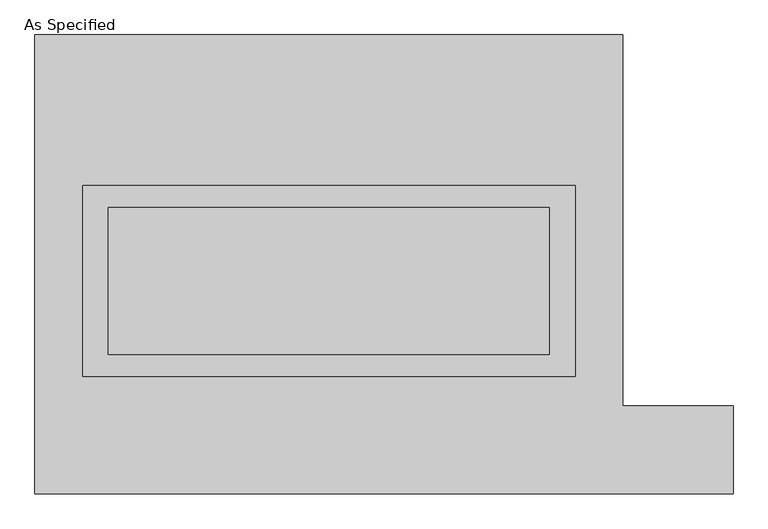
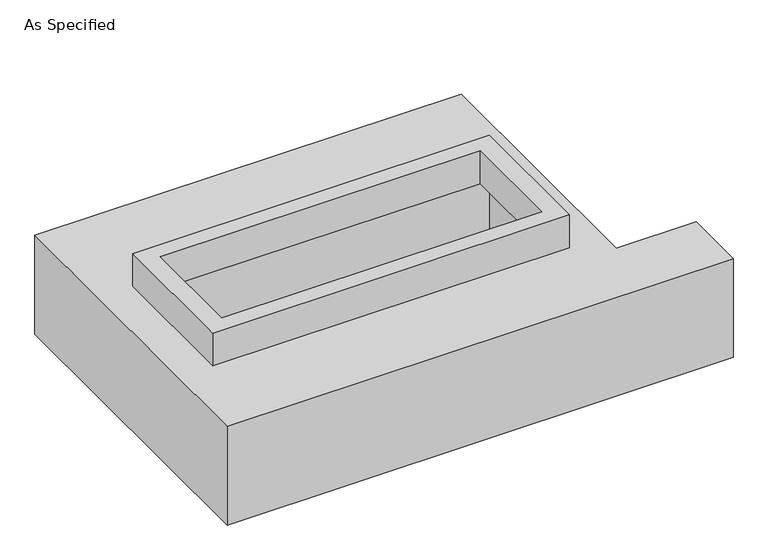
"""IFC4 building model written with IfcOpenShell, lengths in millimetres: proxy geometry, As Specified."""

import ifcopenshell
import ifcopenshell.guid

model = None  # the IFC model being written
_history = None  # IfcOwnerHistory: only IFC2X3 demands one
_inside = {}  # id of a spatial element -> (the spatial element, [elements in it])
_under = {}  # id of a project, library or spatial element -> (it, [spatial elements below it])
_declared = {}  # id of a project -> (the project, [libraries it declares])
_typed = {}  # id of a type object -> (the type object, [elements of that type])
_made_of = {}  # id of a material, layer set ... -> (it, [elements and type objects made of it])


def new_model(schema):
    """Start an empty IFC model of exactly this schema.

    Asked for "IFC4X3", IfcOpenShell would pick the latest addendum, in which some entities
    have other attributes; the version numbers below select the first issue.
    IFC2X3 requires an IfcOwnerHistory on every rooted entity: one is made here for all.
    """
    global model, _history
    if schema == "IFC4X3":
        model = ifcopenshell.file(schema_version=(4, 3, 0, 0))
    else:
        model = ifcopenshell.file(schema=schema)
    _inside.clear()
    _under.clear()
    _declared.clear()
    _typed.clear()
    _made_of.clear()
    _history = None
    if model.schema == "IFC2X3":
        org = make("IfcOrganization", Name="unknown")
        user = make(
            "IfcPersonAndOrganization",
            ThePerson=make("IfcPerson", FamilyName="unknown"),
            TheOrganization=org,
        )
        app = make(
            "IfcApplication",
            ApplicationDeveloper=org,
            Version="unknown",
            ApplicationFullName="unknown",
            ApplicationIdentifier="unknown",
        )
        _history = make(
            "IfcOwnerHistory",
            OwningUser=user,
            OwningApplication=app,
            ChangeAction="ADDED",
            CreationDate=0,
        )
    return model


def make(cls, **values):
    """One entity of the class cls with the attributes given. An attribute that is None is left unset."""
    return model.create_entity(
        cls, **{name: value for name, value in values.items() if value is not None}
    )


def rooted(cls, **values):
    """An entity with a GlobalId (a new one), such as an element, a storey or a relation."""
    return make(cls, GlobalId=ifcopenshell.guid.new(), OwnerHistory=_history, **values)


def si_unit(unit_type, name, prefix=None):
    """IfcSIUnit, for example si_unit("LENGTHUNIT", "METRE", prefix="MILLI")."""
    return make("IfcSIUnit", UnitType=unit_type, Prefix=prefix, Name=name)


def assignment(units):
    """IfcUnitAssignment: the units of a project."""
    return None if units is None else make("IfcUnitAssignment", Units=units)


def point(xyz):
    """IfcCartesianPoint."""
    return None if xyz is None else make("IfcCartesianPoint", Coordinates=xyz)


def direction(xyz):
    """IfcDirection."""
    return None if xyz is None else make("IfcDirection", DirectionRatios=xyz)


def frame(location, z_axis=None, x_axis=None):
    """IfcAxis2Placement3D, a coordinate frame: its origin and axes. An axis left out is left unset."""
    return make(
        "IfcAxis2Placement3D",
        Location=point(location),
        Axis=direction(z_axis),
        RefDirection=direction(x_axis),
    )


def origin():
    """The frame at (0, 0, 0) with its axes left unset."""
    return frame((0.0, 0.0, 0.0))


def place(relative_to, where):
    """IfcLocalPlacement: puts the frame where relative to a parent placement (None: the world)."""
    return make(
        "IfcLocalPlacement", PlacementRelTo=relative_to, RelativePlacement=where
    )


def context(
    kind, dimensions, precision=None, world=None, true_north=None, identifier=None
):
    """IfcGeometricRepresentationContext, for example the 3D "Model" context."""
    return make(
        "IfcGeometricRepresentationContext",
        ContextIdentifier=identifier,
        ContextType=kind,
        CoordinateSpaceDimension=dimensions,
        Precision=precision,
        WorldCoordinateSystem=world,
        TrueNorth=true_north,
    )


def project(units=None, contexts=None):
    """IfcProject with its units and contexts."""
    return rooted(
        "IfcProject",
        Name="project",
        RepresentationContexts=contexts,
        UnitsInContext=assignment(units),
    )


def spatial(cls, under=None, at=None, **own):
    """A site, building, storey or space (cls), placed at a placement, below another one or the project."""
    s = rooted(cls, ObjectPlacement=at, **own)
    if under is not None:
        _under.setdefault(under.id(), (under, []))[1].append(s)
    return s


def polyline(points):
    """IfcPolyline through the points."""
    return make("IfcPolyline", Points=[point(p) for p in points])


def outline(outer, holes=None, kind="AREA"):
    """IfcArbitraryClosedProfileDef: a profile drawn as a closed curve; with holes, ...WithVoids."""
    if holes is None:
        return make("IfcArbitraryClosedProfileDef", ProfileType=kind, OuterCurve=outer)
    return make(
        "IfcArbitraryProfileDefWithVoids",
        ProfileType=kind,
        OuterCurve=outer,
        InnerCurves=holes,
    )


def extrude(swept, where, along, depth):
    """IfcExtrudedAreaSolid: the profile swept, set in the frame where, extruded along a direction by depth."""
    return make(
        "IfcExtrudedAreaSolid",
        SweptArea=swept,
        Position=where,
        ExtrudedDirection=direction(along),
        Depth=depth,
    )


def faces_of(points, faces, orient=None, outer=None):
    """IfcFace entities. A face is a list of loops; a loop is a list of indices into points, from 0.

    orient and outer hold one flag for each loop. By default every Orientation is true, the
    first loop of a face is its IfcFaceOuterBound and the others are IfcFaceBound.
    """
    made = []
    for i, loops in enumerate(faces):
        bounds = []
        for j, loop in enumerate(loops):
            is_outer = j == 0 if outer is None else outer[i][j]
            bounds.append(
                make(
                    "IfcFaceOuterBound" if is_outer else "IfcFaceBound",
                    Bound=make("IfcPolyLoop", Polygon=[points[k] for k in loop]),
                    Orientation=True if orient is None else orient[i][j],
                )
            )
        made.append(make("IfcFace", Bounds=bounds))
    return made


def faceted_brep(points, faces, orient=None, outer=None, voids=None):
    """IfcFacetedBrep: a solid bounded by flat faces; with voids (closed shells), ...WithVoids."""
    shared = [point(p) for p in points]
    hull = make("IfcClosedShell", CfsFaces=faces_of(shared, faces, orient, outer))
    if voids is None:
        return make("IfcFacetedBrep", Outer=hull)
    return make(
        "IfcFacetedBrepWithVoids",
        Outer=hull,
        Voids=[
            make(cls, CfsFaces=faces_of(shared, fs, o, b)) for cls, fs, o, b in voids
        ],
    )


def shape(context_of_items, identifier, shape_type, items):
    """IfcShapeRepresentation: the items that make up one representation, for example the "Body"."""
    return make(
        "IfcShapeRepresentation",
        ContextOfItems=context_of_items,
        RepresentationIdentifier=identifier,
        RepresentationType=shape_type,
        Items=items,
    )


def source(mapping_origin, context_of_items, identifier, shape_type, items):
    """IfcRepresentationMap: a shape defined once, which mapped items show again and again."""
    return make(
        "IfcRepresentationMap",
        MappingOrigin=mapping_origin,
        MappedRepresentation=shape(context_of_items, identifier, shape_type, items),
    )


def transform(
    local_origin,
    x_axis=None,
    y_axis=None,
    z_axis=None,
    scale=None,
    scale2=None,
    scale3=None,
    uniform=True,
):
    """IfcCartesianTransformationOperator3D, or its non-uniform kind. x_axis, y_axis, z_axis: its Axis1, 2, 3."""
    if uniform:
        return make(
            "IfcCartesianTransformationOperator3D",
            Axis1=direction(x_axis),
            Axis2=direction(y_axis),
            LocalOrigin=point(local_origin),
            Scale=scale,
            Axis3=direction(z_axis),
        )
    return make(
        "IfcCartesianTransformationOperator3DnonUniform",
        Axis1=direction(x_axis),
        Axis2=direction(y_axis),
        LocalOrigin=point(local_origin),
        Scale=scale,
        Axis3=direction(z_axis),
        Scale2=scale2,
        Scale3=scale3,
    )


def mapped(mapping_source, mapping_target):
    """IfcMappedItem: shows the shape of a source again, moved by a transform."""
    return make(
        "IfcMappedItem", MappingSource=mapping_source, MappingTarget=mapping_target
    )


def made_of(thing, what):
    """Note that an element or type object is made of a material, layer set ...; save() writes the relation."""
    if what is not None:
        _made_of.setdefault(what.id(), (what, []))[1].append(thing)
    return thing


def element(
    cls,
    number,
    at=None,
    inside=None,
    cuts=None,
    type_object=None,
    material=None,
    context=None,
    identifier="Body",
    shape_type=None,
    held_by="IfcProductDefinitionShape",
    body=None,
    shapes=None,
    **own,
):
    """One element of the class cls, such as IfcWall. Its Tag is "e" and its number.

    at: its placement. inside: the storey or other place that contains it. cuts: it is an
    opening in that element (IfcRelVoidsElement). A single representation is given by context,
    identifier, shape_type and body (its items); several are given by shapes. held_by: the class
    of the entity that holds the representations. save() writes the other relations.
    """
    e = rooted(cls, Tag="e%d" % number, ObjectPlacement=at, **own)
    if body is not None:
        shapes = [shape(context, identifier, shape_type, body)]
    if shapes is not None:
        e.Representation = make(held_by, Representations=shapes)
    if inside is not None:
        _inside.setdefault(inside.id(), (inside, []))[1].append(e)
    if cuts is not None:
        rooted(
            "IfcRelVoidsElement", RelatingBuildingElement=cuts, RelatedOpeningElement=e
        )
    if type_object is not None:
        _typed.setdefault(type_object.id(), (type_object, []))[1].append(e)
    return made_of(e, material)


def aggregate(whole, parts):
    """IfcRelAggregates: a whole, such as a stair, and the parts it consists of."""
    return rooted("IfcRelAggregates", RelatingObject=whole, RelatedObjects=parts)


def save(model, path):
    """Write the relations noted so far, then the file.

    IfcRelAggregates (storeys below a building ...), IfcRelContainedInSpatialStructure (elements
    in a storey), IfcRelDefinesByType, IfcRelAssociatesMaterial and IfcRelDeclares: one each for
    every whole, place, type object, material and project.
    """
    for whole, parts in _under.values():
        aggregate(whole, parts)
    for where, things in _inside.values():
        rooted(
            "IfcRelContainedInSpatialStructure",
            RelatedElements=things,
            RelatingStructure=where,
        )
    for kind, things in _typed.values():
        rooted("IfcRelDefinesByType", RelatedObjects=things, RelatingType=kind)
    for what, things in _made_of.values():
        rooted("IfcRelAssociatesMaterial", RelatedObjects=things, RelatingMaterial=what)
    for by, libraries in _declared.values():
        rooted("IfcRelDeclares", RelatingContext=by, RelatedDefinitions=libraries)
    model.write(path)


def as_specified_13ea6484(model_context):
    return source(origin(), model_context, "Body", "SolidModel", [
        extrude(outline(polyline([(850.9, 273.05), (850.9, -387.35), (-850.9, -387.35), (-850.9, 273.05), (850.9, 273.05)]), holes=[polyline([(762.0, 196.85), (-762.0, 196.85), (-762.0, -311.15), (762.0, -311.15), (762.0, 196.85)])]), frame((0.0, 0.0, -25.4), z_axis=(0.0, 0.0, 1.0), x_axis=(1.0, 0.0, 0.0)), (0.0, 0.0, 1.0), 165.1),
        faceted_brep([(-1016.0, 793.75, -523.875), (1016.0, 793.75, -523.875), (1016.0, -488.95, -523.875), (1397.0, -488.95, -523.875), (1397.0, -793.75, -523.875), (-1016.0, -793.75, -523.875), (1016.0, 793.75, -25.4), (-1016.0, 793.75, -25.4), (-1016.0, -793.75, -25.4), (1397.0, -793.75, -25.4), (1397.0, -488.95, -25.4), (1016.0, -488.95, -25.4), (-850.9, -387.35, -25.4), (-850.9, 273.05, -25.4), (850.9, 273.05, -25.4), (850.9, -387.35, -25.4), (850.9, 273.05, -498.475), (-850.9, 273.05, -498.475), (-850.9, -387.35, -498.475), (850.9, -387.35, -498.475)], [[[0, 1, 2, 3, 4, 5]], [[6, 7, 8, 9, 10, 11], [12, 13, 14, 15]], [[1, 0, 7, 6]], [[7, 0, 5, 8]], [[1, 6, 11, 2]], [[16, 17, 18, 19]], [[18, 17, 13, 12]], [[17, 16, 14, 13]], [[16, 19, 15, 14]], [[19, 18, 12, 15]], [[5, 4, 9, 8]], [[3, 2, 11, 10]], [[4, 3, 10, 9]]]),
    ])


if __name__ == "__main__":
    model = new_model("IFC4")
    model_context = context("Model", 3, world=origin())
    ifc_project = project(units=[si_unit("LENGTHUNIT", "METRE", prefix="MILLI")], contexts=[model_context])
    site = spatial("IfcSite", under=ifc_project)
    building = spatial("IfcBuilding", under=site)
    placement = place(None, origin())
    as_specified_shape = as_specified_13ea6484(model_context)
    element("IfcBuildingElementProxy", 1, Name="As Specified", ObjectType="As Specified", at=placement, inside=building, context=model_context, shape_type="MappedRepresentation", body=[
        mapped(as_specified_shape, transform((0.0, 0.0, 0.0), x_axis=(1.0, 0.0, 0.0), y_axis=(0.0, 1.0, 0.0), z_axis=(0.0, 0.0, 1.0))),
    ])
    save(model, "model.ifc")
